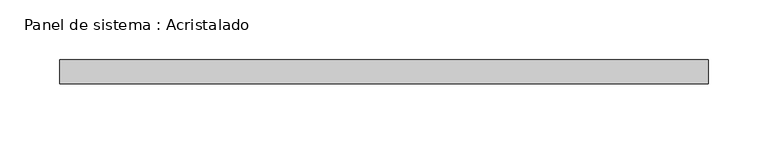
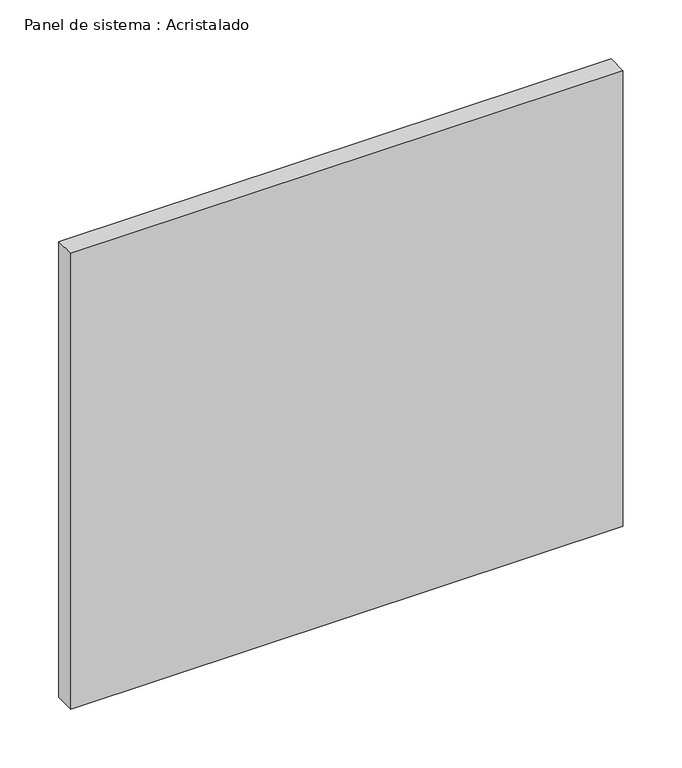
"""IFC4 building model written with IfcOpenShell, lengths in millimetres: plate geometry, Panel de sistema : Acristalado."""

import ifcopenshell
import ifcopenshell.guid

model = None  # the IFC model being written
_history = None  # IfcOwnerHistory: only IFC2X3 demands one
_inside = {}  # id of a spatial element -> (the spatial element, [elements in it])
_under = {}  # id of a project, library or spatial element -> (it, [spatial elements below it])
_declared = {}  # id of a project -> (the project, [libraries it declares])
_typed = {}  # id of a type object -> (the type object, [elements of that type])
_made_of = {}  # id of a material, layer set ... -> (it, [elements and type objects made of it])


def new_model(schema):
    """Start an empty IFC model of exactly this schema.

    Asked for "IFC4X3", IfcOpenShell would pick the latest addendum, in which some entities
    have other attributes; the version numbers below select the first issue.
    IFC2X3 requires an IfcOwnerHistory on every rooted entity: one is made here for all.
    """
    global model, _history
    if schema == "IFC4X3":
        model = ifcopenshell.file(schema_version=(4, 3, 0, 0))
    else:
        model = ifcopenshell.file(schema=schema)
    _inside.clear()
    _under.clear()
    _declared.clear()
    _typed.clear()
    _made_of.clear()
    _history = None
    if model.schema == "IFC2X3":
        org = make("IfcOrganization", Name="unknown")
        user = make(
            "IfcPersonAndOrganization",
            ThePerson=make("IfcPerson", FamilyName="unknown"),
            TheOrganization=org,
        )
        app = make(
            "IfcApplication",
            ApplicationDeveloper=org,
            Version="unknown",
            ApplicationFullName="unknown",
            ApplicationIdentifier="unknown",
        )
        _history = make(
            "IfcOwnerHistory",
            OwningUser=user,
            OwningApplication=app,
            ChangeAction="ADDED",
            CreationDate=0,
        )
    return model


def make(cls, **values):
    """One entity of the class cls with the attributes given. An attribute that is None is left unset."""
    return model.create_entity(
        cls, **{name: value for name, value in values.items() if value is not None}
    )


def rooted(cls, **values):
    """An entity with a GlobalId (a new one), such as an element, a storey or a relation."""
    return make(cls, GlobalId=ifcopenshell.guid.new(), OwnerHistory=_history, **values)


def si_unit(unit_type, name, prefix=None):
    """IfcSIUnit, for example si_unit("LENGTHUNIT", "METRE", prefix="MILLI")."""
    return make("IfcSIUnit", UnitType=unit_type, Prefix=prefix, Name=name)


def assignment(units):
    """IfcUnitAssignment: the units of a project."""
    return None if units is None else make("IfcUnitAssignment", Units=units)


def point(xyz):
    """IfcCartesianPoint."""
    return None if xyz is None else make("IfcCartesianPoint", Coordinates=xyz)


def direction(xyz):
    """IfcDirection."""
    return None if xyz is None else make("IfcDirection", DirectionRatios=xyz)


def frame(location, z_axis=None, x_axis=None):
    """IfcAxis2Placement3D, a coordinate frame: its origin and axes. An axis left out is left unset."""
    return make(
        "IfcAxis2Placement3D",
        Location=point(location),
        Axis=direction(z_axis),
        RefDirection=direction(x_axis),
    )


def origin():
    """The frame at (0, 0, 0) with its axes left unset."""
    return frame((0.0, 0.0, 0.0))


def origin_with_axes():
    """The frame at (0, 0, 0) with the z axis (0, 0, 1) and the x axis (1, 0, 0) written out."""
    return frame((0.0, 0.0, 0.0), z_axis=(0.0, 0.0, 1.0), x_axis=(1.0, 0.0, 0.0))


def place(relative_to, where):
    """IfcLocalPlacement: puts the frame where relative to a parent placement (None: the world)."""
    return make(
        "IfcLocalPlacement", PlacementRelTo=relative_to, RelativePlacement=where
    )


def context(
    kind, dimensions, precision=None, world=None, true_north=None, identifier=None
):
    """IfcGeometricRepresentationContext, for example the 3D "Model" context."""
    return make(
        "IfcGeometricRepresentationContext",
        ContextIdentifier=identifier,
        ContextType=kind,
        CoordinateSpaceDimension=dimensions,
        Precision=precision,
        WorldCoordinateSystem=world,
        TrueNorth=true_north,
    )


def project(units=None, contexts=None):
    """IfcProject with its units and contexts."""
    return rooted(
        "IfcProject",
        Name="project",
        RepresentationContexts=contexts,
        UnitsInContext=assignment(units),
    )


def spatial(cls, under=None, at=None, **own):
    """A site, building, storey or space (cls), placed at a placement, below another one or the project."""
    s = rooted(cls, ObjectPlacement=at, **own)
    if under is not None:
        _under.setdefault(under.id(), (under, []))[1].append(s)
    return s


def polyline(points):
    """IfcPolyline through the points."""
    return make("IfcPolyline", Points=[point(p) for p in points])


def outline(outer, holes=None, kind="AREA"):
    """IfcArbitraryClosedProfileDef: a profile drawn as a closed curve; with holes, ...WithVoids."""
    if holes is None:
        return make("IfcArbitraryClosedProfileDef", ProfileType=kind, OuterCurve=outer)
    return make(
        "IfcArbitraryProfileDefWithVoids",
        ProfileType=kind,
        OuterCurve=outer,
        InnerCurves=holes,
    )


def extrude(swept, where, along, depth):
    """IfcExtrudedAreaSolid: the profile swept, set in the frame where, extruded along a direction by depth."""
    return make(
        "IfcExtrudedAreaSolid",
        SweptArea=swept,
        Position=where,
        ExtrudedDirection=direction(along),
        Depth=depth,
    )


def shape(context_of_items, identifier, shape_type, items):
    """IfcShapeRepresentation: the items that make up one representation, for example the "Body"."""
    return make(
        "IfcShapeRepresentation",
        ContextOfItems=context_of_items,
        RepresentationIdentifier=identifier,
        RepresentationType=shape_type,
        Items=items,
    )


def source(mapping_origin, context_of_items, identifier, shape_type, items):
    """IfcRepresentationMap: a shape defined once, which mapped items show again and again."""
    return make(
        "IfcRepresentationMap",
        MappingOrigin=mapping_origin,
        MappedRepresentation=shape(context_of_items, identifier, shape_type, items),
    )


def transform(
    local_origin,
    x_axis=None,
    y_axis=None,
    z_axis=None,
    scale=None,
    scale2=None,
    scale3=None,
    uniform=True,
):
    """IfcCartesianTransformationOperator3D, or its non-uniform kind. x_axis, y_axis, z_axis: its Axis1, 2, 3."""
    if uniform:
        return make(
            "IfcCartesianTransformationOperator3D",
            Axis1=direction(x_axis),
            Axis2=direction(y_axis),
            LocalOrigin=point(local_origin),
            Scale=scale,
            Axis3=direction(z_axis),
        )
    return make(
        "IfcCartesianTransformationOperator3DnonUniform",
        Axis1=direction(x_axis),
        Axis2=direction(y_axis),
        LocalOrigin=point(local_origin),
        Scale=scale,
        Axis3=direction(z_axis),
        Scale2=scale2,
        Scale3=scale3,
    )


def mapped(mapping_source, mapping_target):
    """IfcMappedItem: shows the shape of a source again, moved by a transform."""
    return make(
        "IfcMappedItem", MappingSource=mapping_source, MappingTarget=mapping_target
    )


def made_of(thing, what):
    """Note that an element or type object is made of a material, layer set ...; save() writes the relation."""
    if what is not None:
        _made_of.setdefault(what.id(), (what, []))[1].append(thing)
    return thing


def element(
    cls,
    number,
    at=None,
    inside=None,
    cuts=None,
    type_object=None,
    material=None,
    context=None,
    identifier="Body",
    shape_type=None,
    held_by="IfcProductDefinitionShape",
    body=None,
    shapes=None,
    **own,
):
    """One element of the class cls, such as IfcWall. Its Tag is "e" and its number.

    at: its placement. inside: the storey or other place that contains it. cuts: it is an
    opening in that element (IfcRelVoidsElement). A single representation is given by context,
    identifier, shape_type and body (its items); several are given by shapes. held_by: the class
    of the entity that holds the representations. save() writes the other relations.
    """
    e = rooted(cls, Tag="e%d" % number, ObjectPlacement=at, **own)
    if body is not None:
        shapes = [shape(context, identifier, shape_type, body)]
    if shapes is not None:
        e.Representation = make(held_by, Representations=shapes)
    if inside is not None:
        _inside.setdefault(inside.id(), (inside, []))[1].append(e)
    if cuts is not None:
        rooted(
            "IfcRelVoidsElement", RelatingBuildingElement=cuts, RelatedOpeningElement=e
        )
    if type_object is not None:
        _typed.setdefault(type_object.id(), (type_object, []))[1].append(e)
    return made_of(e, material)


def aggregate(whole, parts):
    """IfcRelAggregates: a whole, such as a stair, and the parts it consists of."""
    return rooted("IfcRelAggregates", RelatingObject=whole, RelatedObjects=parts)


def save(model, path):
    """Write the relations noted so far, then the file.

    IfcRelAggregates (storeys below a building ...), IfcRelContainedInSpatialStructure (elements
    in a storey), IfcRelDefinesByType, IfcRelAssociatesMaterial and IfcRelDeclares: one each for
    every whole, place, type object, material and project.
    """
    for whole, parts in _under.values():
        aggregate(whole, parts)
    for where, things in _inside.values():
        rooted(
            "IfcRelContainedInSpatialStructure",
            RelatedElements=things,
            RelatingStructure=where,
        )
    for kind, things in _typed.values():
        rooted("IfcRelDefinesByType", RelatedObjects=things, RelatingType=kind)
    for what, things in _made_of.values():
        rooted("IfcRelAssociatesMaterial", RelatedObjects=things, RelatingMaterial=what)
    for by, libraries in _declared.values():
        rooted("IfcRelDeclares", RelatingContext=by, RelatedDefinitions=libraries)
    model.write(path)


def panel_de_sistema_acristalado_79f8834c(model_context):
    return source(origin(), model_context, "Body", "SweptSolid", [
        extrude(outline(polyline([(270.5, -10.0), (-270.5, -10.0), (-270.5, 10.0), (270.5, 10.0), (270.5, -10.0)])), origin_with_axes(), (0.0, 0.0, 1.0), 472.0),
    ])


if __name__ == "__main__":
    model = new_model("IFC4")
    model_context = context("Model", 3, world=origin())
    ifc_project = project(units=[si_unit("LENGTHUNIT", "METRE", prefix="MILLI")], contexts=[model_context])
    site = spatial("IfcSite", under=ifc_project)
    building = spatial("IfcBuilding", under=site)
    placement = place(None, origin())
    panel_de_sistema_acristalado_shape = panel_de_sistema_acristalado_79f8834c(model_context)
    element("IfcPlate", 1, ObjectType="Panel de sistema : Acristalado", at=placement, inside=building, context=model_context, shape_type="MappedRepresentation", body=[
        mapped(panel_de_sistema_acristalado_shape, transform((0.0, 0.0, 0.0), x_axis=(1.0, 0.0, 0.0), y_axis=(0.0, 1.0, 0.0), z_axis=(0.0, 0.0, 1.0))),
    ])
    save(model, "model.ifc")
